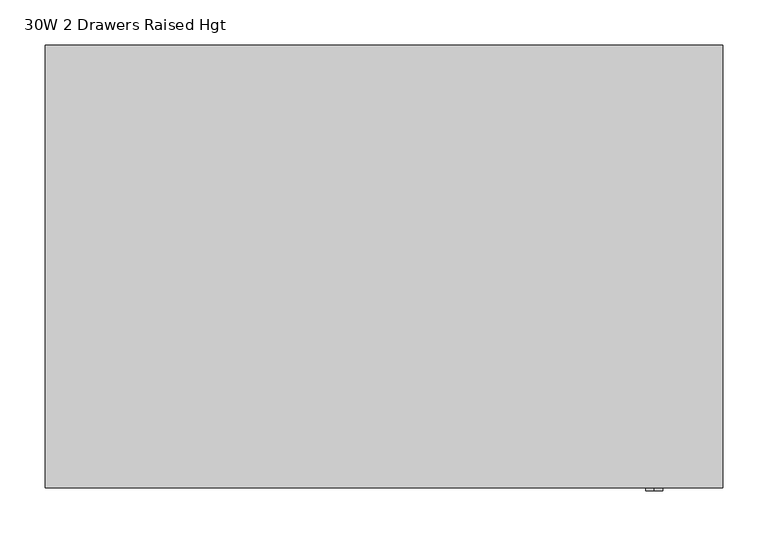
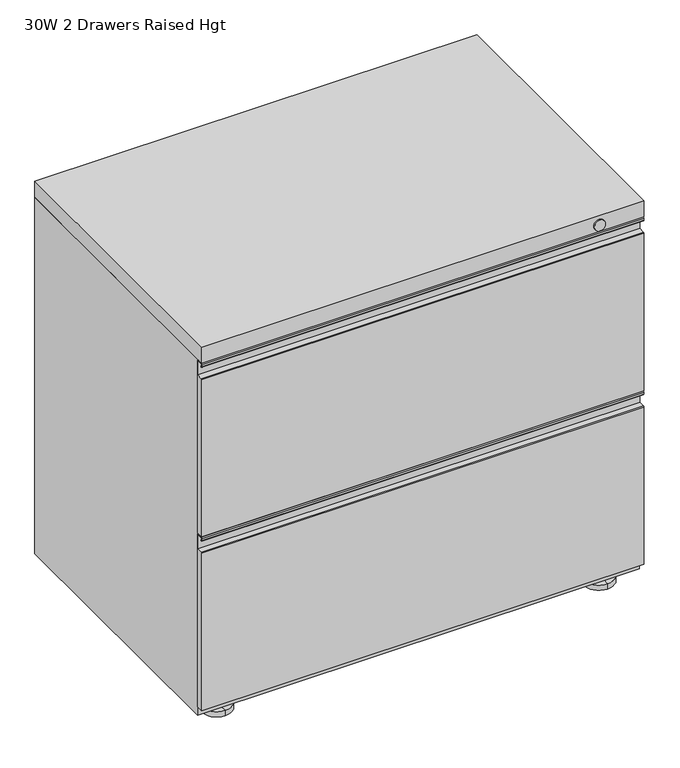
"""IFC4 building model written with IfcOpenShell, lengths in millimetres: furniture geometry, 30W 2 Drawers Raised Hgt."""

from ifc_helpers import new_model, si_unit, point, frame, frame_2d, origin, place, context, project, spatial, polyline, circle_curve, trimmed, segment, composite_curve, outline, extrude, source, transform, mapped, element, save
from ifc_brep_helpers import plane_surface, cylinder_surface, advanced_brep


def furniture_30w_2_drawers_raised_hgt_427bae94(model_context):
    return source(origin(), model_context, "Body", "SolidModel", [
        advanced_brep(
        [(325.4374758, 201.6124871, 22.2249992), (325.4374758, 176.2124932, 22.2249992), (325.4374758, 188.9124902, 22.2249992), (325.4374758, 201.6124871, 9.525), (325.4374758, 176.2124932, 9.525), (325.4374758, 214.3124886, 9.525), (325.4374758, 163.5124917, 9.525), (325.4374758, 214.3124886, 0.0), (325.4374758, 163.5124917, 0.0), (325.4374758, 188.9124902, 0.0)],
        [
            (0, 1, circle_curve(frame((325.4374758, 188.9124902, 22.2249992), z_axis=(0.0, 0.0, 1.0), x_axis=(0.0, -1.0, 0.0)), 12.699997)),
            (1, 2),
            (2, 0),
            (1, 0, circle_curve(frame((325.4374758, 188.9124902, 22.2249992), z_axis=(0.0, 0.0, 1.0), x_axis=(0.0, -1.0, 0.0)), 12.699997)),
            (3, 4, circle_curve(frame((325.4374758, 188.9124902, 9.525), z_axis=(0.0, 0.0, 1.0), x_axis=(0.0, -1.0, 0.0)), 12.699997)),
            (4, 1),
            (0, 3),
            (4, 3, circle_curve(frame((325.4374758, 188.9124902, 9.525), z_axis=(0.0, 0.0, 1.0), x_axis=(0.0, -1.0, 0.0)), 12.699997)),
            (5, 6, circle_curve(frame((325.4374758, 188.9124902, 9.525), z_axis=(0.0, 0.0, 1.0), x_axis=(0.0, -1.0, 0.0)), 25.3999985)),
            (6, 4),
            (3, 5),
            (6, 5, circle_curve(frame((325.4374758, 188.9124902, 9.525), z_axis=(0.0, 0.0, 1.0), x_axis=(0.0, -1.0, 0.0)), 25.3999985)),
            (7, 8, circle_curve(frame((325.4374758, 188.9124902, 0.0), z_axis=(0.0, 0.0, 1.0), x_axis=(0.0, -1.0, 0.0)), 25.3999985)),
            (8, 6),
            (5, 7),
            (8, 7, circle_curve(frame((325.4374758, 188.9124902, 0.0), z_axis=(0.0, 0.0, 1.0), x_axis=(0.0, -1.0, 0.0)), 25.3999985)),
            (9, 8),
            (7, 9),
        ],
        [
            plane_surface(frame((325.4374758, 188.9124902, 22.2249992), z_axis=(0.0, 0.0, 1.0), x_axis=(0.0, -1.0, 0.0))),
            cylinder_surface(frame((325.4374758, 188.9124902, 0.0), z_axis=(0.0, 0.0, -1.0), x_axis=(0.0, -1.0, 0.0)), 12.699997),
            plane_surface(frame((325.4374758, 188.9124902, 9.525), z_axis=(0.0, 0.0, 1.0), x_axis=(0.0, -1.0, 0.0))),
            cylinder_surface(frame((325.4374758, 188.9124902, 0.0), z_axis=(0.0, 0.0, -1.0), x_axis=(0.0, -1.0, 0.0)), 25.3999985),
            plane_surface(frame((325.4374758, 188.9124902, 0.0), z_axis=(0.0, 0.0, -1.0), x_axis=(0.0, -1.0, 0.0))),
        ],
        [
            (0, [[1, 2, 3]]),
            (0, [[4, -3, -2]]),
            (1, [[5, 6, -1, 7]]),
            (1, [[8, -7, -4, -6]]),
            (2, [[9, 10, -5, 11]]),
            (2, [[12, -11, -8, -10]]),
            (3, [[13, 14, -9, 15]]),
            (3, [[16, -15, -12, -14]]),
            (4, [[17, -13, 18]]),
            (4, [[-18, -16, -17]]),
        ],
    ),
        advanced_brep(
        [(325.4374758, -188.912522, 22.2249992), (325.4374758, -214.3125159, 22.2249992), (325.4374758, -201.6125189, 22.2249992), (325.4374758, -188.912522, 9.525), (325.4374758, -214.3125159, 9.525), (325.4374758, -176.2125204, 9.525), (325.4374758, -227.0125174, 9.525), (325.4374758, -176.2125204, 0.0), (325.4374758, -227.0125174, 0.0), (325.4374758, -201.6125189, 0.0)],
        [
            (0, 1, circle_curve(frame((325.4374758, -201.6125189, 22.2249992), z_axis=(0.0, 0.0, 1.0), x_axis=(0.0, -1.0, 0.0)), 12.699997)),
            (1, 2),
            (2, 0),
            (1, 0, circle_curve(frame((325.4374758, -201.6125189, 22.2249992), z_axis=(0.0, 0.0, 1.0), x_axis=(0.0, -1.0, 0.0)), 12.699997)),
            (3, 4, circle_curve(frame((325.4374758, -201.6125189, 9.525), z_axis=(0.0, 0.0, 1.0), x_axis=(0.0, -1.0, 0.0)), 12.699997)),
            (4, 1),
            (0, 3),
            (4, 3, circle_curve(frame((325.4374758, -201.6125189, 9.525), z_axis=(0.0, 0.0, 1.0), x_axis=(0.0, -1.0, 0.0)), 12.699997)),
            (5, 6, circle_curve(frame((325.4374758, -201.6125189, 9.525), z_axis=(0.0, 0.0, 1.0), x_axis=(0.0, -1.0, 0.0)), 25.3999985)),
            (6, 4),
            (3, 5),
            (6, 5, circle_curve(frame((325.4374758, -201.6125189, 9.525), z_axis=(0.0, 0.0, 1.0), x_axis=(0.0, -1.0, 0.0)), 25.3999985)),
            (7, 8, circle_curve(frame((325.4374758, -201.6125189, 0.0), z_axis=(0.0, 0.0, 1.0), x_axis=(0.0, -1.0, 0.0)), 25.3999985)),
            (8, 6),
            (5, 7),
            (8, 7, circle_curve(frame((325.4374758, -201.6125189, 0.0), z_axis=(0.0, 0.0, 1.0), x_axis=(0.0, -1.0, 0.0)), 25.3999985)),
            (9, 8),
            (7, 9),
        ],
        [
            plane_surface(frame((325.4374758, -201.6125189, 22.2249992), z_axis=(0.0, 0.0, 1.0), x_axis=(0.0, -1.0, 0.0))),
            cylinder_surface(frame((325.4374758, -201.6125189, 0.0), z_axis=(0.0, 0.0, -1.0), x_axis=(0.0, -1.0, 0.0)), 12.699997),
            plane_surface(frame((325.4374758, -201.6125189, 9.525), z_axis=(0.0, 0.0, 1.0), x_axis=(0.0, -1.0, 0.0))),
            cylinder_surface(frame((325.4374758, -201.6125189, 0.0), z_axis=(0.0, 0.0, -1.0), x_axis=(0.0, -1.0, 0.0)), 25.3999985),
            plane_surface(frame((325.4374758, -201.6125189, 0.0), z_axis=(0.0, 0.0, -1.0), x_axis=(0.0, -1.0, 0.0))),
        ],
        [
            (0, [[1, 2, 3]]),
            (0, [[4, -3, -2]]),
            (1, [[5, 6, -1, 7]]),
            (1, [[8, -7, -4, -6]]),
            (2, [[9, 10, -5, 11]]),
            (2, [[12, -11, -8, -10]]),
            (3, [[13, 14, -9, 15]]),
            (3, [[16, -15, -12, -14]]),
            (4, [[17, -13, 18]]),
            (4, [[-18, -16, -17]]),
        ],
    ),
        advanced_brep(
        [(-325.4374985, -188.912522, 22.2249992), (-325.4374985, -214.3125159, 22.2249992), (-325.4374985, -201.6125189, 22.2249992), (-325.4374985, -188.912522, 9.525), (-325.4374985, -214.3125159, 9.525), (-325.4374985, -176.2125204, 9.525), (-325.4374985, -227.0125174, 9.525), (-325.4374985, -176.2125204, 0.0), (-325.4374985, -227.0125174, 0.0), (-325.4374985, -201.6125189, 0.0)],
        [
            (0, 1, circle_curve(frame((-325.4374985, -201.6125189, 22.2249992), z_axis=(0.0, 0.0, 1.0), x_axis=(0.0, -1.0, 0.0)), 12.699997)),
            (1, 2),
            (2, 0),
            (1, 0, circle_curve(frame((-325.4374985, -201.6125189, 22.2249992), z_axis=(0.0, 0.0, 1.0), x_axis=(0.0, -1.0, 0.0)), 12.699997)),
            (3, 4, circle_curve(frame((-325.4374985, -201.6125189, 9.525), z_axis=(0.0, 0.0, 1.0), x_axis=(0.0, -1.0, 0.0)), 12.699997)),
            (4, 1),
            (0, 3),
            (4, 3, circle_curve(frame((-325.4374985, -201.6125189, 9.525), z_axis=(0.0, 0.0, 1.0), x_axis=(0.0, -1.0, 0.0)), 12.699997)),
            (5, 6, circle_curve(frame((-325.4374985, -201.6125189, 9.525), z_axis=(0.0, 0.0, 1.0), x_axis=(0.0, -1.0, 0.0)), 25.3999985)),
            (6, 4),
            (3, 5),
            (6, 5, circle_curve(frame((-325.4374985, -201.6125189, 9.525), z_axis=(0.0, 0.0, 1.0), x_axis=(0.0, -1.0, 0.0)), 25.3999985)),
            (7, 8, circle_curve(frame((-325.4374985, -201.6125189, 0.0), z_axis=(0.0, 0.0, 1.0), x_axis=(0.0, -1.0, 0.0)), 25.3999985)),
            (8, 6),
            (5, 7),
            (8, 7, circle_curve(frame((-325.4374985, -201.6125189, 0.0), z_axis=(0.0, 0.0, 1.0), x_axis=(0.0, -1.0, 0.0)), 25.3999985)),
            (9, 8),
            (7, 9),
        ],
        [
            plane_surface(frame((-325.4374985, -201.6125189, 22.2249992), z_axis=(0.0, 0.0, 1.0), x_axis=(0.0, -1.0, 0.0))),
            cylinder_surface(frame((-325.4374985, -201.6125189, 0.0), z_axis=(0.0, 0.0, -1.0), x_axis=(0.0, -1.0, 0.0)), 12.699997),
            plane_surface(frame((-325.4374985, -201.6125189, 9.525), z_axis=(0.0, 0.0, 1.0), x_axis=(0.0, -1.0, 0.0))),
            cylinder_surface(frame((-325.4374985, -201.6125189, 0.0), z_axis=(0.0, 0.0, -1.0), x_axis=(0.0, -1.0, 0.0)), 25.3999985),
            plane_surface(frame((-325.4374985, -201.6125189, 0.0), z_axis=(0.0, 0.0, -1.0), x_axis=(0.0, -1.0, 0.0))),
        ],
        [
            (0, [[1, 2, 3]]),
            (0, [[4, -3, -2]]),
            (1, [[5, 6, -1, 7]]),
            (1, [[8, -7, -4, -6]]),
            (2, [[9, 10, -5, 11]]),
            (2, [[12, -11, -8, -10]]),
            (3, [[13, 14, -9, 15]]),
            (3, [[16, -15, -12, -14]]),
            (4, [[17, -13, 18]]),
            (4, [[-18, -16, -17]]),
        ],
    ),
        advanced_brep(
        [(-325.4374985, 201.6124871, 22.2249992), (-325.4374985, 176.2124932, 22.2249992), (-325.4374985, 188.9124902, 22.2249992), (-325.4374985, 201.6124871, 9.525), (-325.4374985, 176.2124932, 9.525), (-325.4374985, 214.3124886, 9.525), (-325.4374985, 163.5124917, 9.525), (-325.4374985, 214.3124886, 0.0), (-325.4374985, 163.5124917, 0.0), (-325.4374985, 188.9124902, 0.0)],
        [
            (0, 1, circle_curve(frame((-325.4374985, 188.9124902, 22.2249992), z_axis=(0.0, 0.0, 1.0), x_axis=(0.0, -1.0, 0.0)), 12.699997)),
            (1, 2),
            (2, 0),
            (1, 0, circle_curve(frame((-325.4374985, 188.9124902, 22.2249992), z_axis=(0.0, 0.0, 1.0), x_axis=(0.0, -1.0, 0.0)), 12.699997)),
            (3, 4, circle_curve(frame((-325.4374985, 188.9124902, 9.525), z_axis=(0.0, 0.0, 1.0), x_axis=(0.0, -1.0, 0.0)), 12.699997)),
            (4, 1),
            (0, 3),
            (4, 3, circle_curve(frame((-325.4374985, 188.9124902, 9.525), z_axis=(0.0, 0.0, 1.0), x_axis=(0.0, -1.0, 0.0)), 12.699997)),
            (5, 6, circle_curve(frame((-325.4374985, 188.9124902, 9.525), z_axis=(0.0, 0.0, 1.0), x_axis=(0.0, -1.0, 0.0)), 25.3999985)),
            (6, 4),
            (3, 5),
            (6, 5, circle_curve(frame((-325.4374985, 188.9124902, 9.525), z_axis=(0.0, 0.0, 1.0), x_axis=(0.0, -1.0, 0.0)), 25.3999985)),
            (7, 8, circle_curve(frame((-325.4374985, 188.9124902, 0.0), z_axis=(0.0, 0.0, 1.0), x_axis=(0.0, -1.0, 0.0)), 25.3999985)),
            (8, 6),
            (5, 7),
            (8, 7, circle_curve(frame((-325.4374985, 188.9124902, 0.0), z_axis=(0.0, 0.0, 1.0), x_axis=(0.0, -1.0, 0.0)), 25.3999985)),
            (9, 8),
            (7, 9),
        ],
        [
            plane_surface(frame((-325.4374985, 188.9124902, 22.2249992), z_axis=(0.0, 0.0, 1.0), x_axis=(0.0, -1.0, 0.0))),
            cylinder_surface(frame((-325.4374985, 188.9124902, 0.0), z_axis=(0.0, 0.0, -1.0), x_axis=(0.0, -1.0, 0.0)), 12.699997),
            plane_surface(frame((-325.4374985, 188.9124902, 9.525), z_axis=(0.0, 0.0, 1.0), x_axis=(0.0, -1.0, 0.0))),
            cylinder_surface(frame((-325.4374985, 188.9124902, 0.0), z_axis=(0.0, 0.0, -1.0), x_axis=(0.0, -1.0, 0.0)), 25.3999985),
            plane_surface(frame((-325.4374985, 188.9124902, 0.0), z_axis=(0.0, 0.0, -1.0), x_axis=(0.0, -1.0, 0.0))),
        ],
        [
            (0, [[1, 2, 3]]),
            (0, [[4, -3, -2]]),
            (1, [[5, 6, -1, 7]]),
            (1, [[8, -7, -4, -6]]),
            (2, [[9, 10, -5, 11]]),
            (2, [[12, -11, -8, -10]]),
            (3, [[13, 14, -9, 15]]),
            (3, [[16, -15, -12, -14]]),
            (4, [[17, -13, 18]]),
            (4, [[-18, -16, -17]]),
        ],
    ),
        extrude(outline(composite_curve([segment(trimmed(circle_curve(frame_2d((-244.8896942, 321.1966671)), 1.1728058), [point((-246.0625, 321.1966671))], [point((-244.8896942, 322.3694729))], False, "CARTESIAN"), True, "CONTINUOUS"), segment(polyline([(-244.8896942, 322.3694729), (-234.1236111, 322.3694729), (-234.1236111, 347.6972013), (-234.9118604, 348.4874148), (-244.2971887, 348.4874148), (-245.0845679, 347.6999629), (-245.0843647, 344.1366976), (-243.4667153, 344.2287923)]), True, "CONTINUOUS"), segment(trimmed(circle_curve(frame_2d((-244.6524315, 344.0932144)), 1.1934422), [point((-243.4667153, 344.2287923))], [point((-245.8458737, 344.0932144))], False, "CARTESIAN"), True, "CONTINUOUS"), segment(polyline([(-245.8458737, 344.0932144), (-245.8458737, 347.6991622)]), True, "CONTINUOUS"), segment(trimmed(circle_curve(frame_2d((-244.295023, 347.6991622)), 1.5508507), [point((-245.8458737, 347.6991622))], [point((-244.295023, 349.2500129))], False, "CARTESIAN"), True, "CONTINUOUS"), segment(polyline([(-244.295023, 349.2500129), (-234.9140389, 349.2500129)]), True, "CONTINUOUS"), segment(trimmed(circle_curve(frame_2d((-234.9140389, 347.6984497)), 1.5515631), [point((-234.9140389, 349.2500129))], [point((-233.3624758, 347.6984497))], False, "CARTESIAN"), True, "CONTINUOUS"), segment(polyline([(-233.3624758, 347.6984497), (-233.3624758, 38.1000008), (-246.0625, 38.1000008), (-246.0625, 321.1966671)]), True, "CONTINUOUS")], self_intersect=False)), frame((-376.2375, 0.0, 0.0), z_axis=(1.0, 0.0, 0.0), x_axis=(0.0, 1.0, 0.0)), (0.0, 0.0, 1.0), 752.475),
        extrude(outline(composite_curve([segment(trimmed(circle_curve(frame_2d((-244.8896942, 633.9341663)), 1.1728058), [point((-246.0625, 633.9341663))], [point((-244.8896942, 635.1069722))], False, "CARTESIAN"), True, "CONTINUOUS"), segment(polyline([(-244.8896942, 635.1069722), (-234.1236111, 635.1069722), (-234.1236111, 660.4347006), (-234.9118604, 661.2249141), (-244.2971887, 661.2249141), (-245.0845679, 660.4374621), (-245.0843647, 656.8741969), (-243.4667153, 656.9662915)]), True, "CONTINUOUS"), segment(trimmed(circle_curve(frame_2d((-244.6524315, 656.8307136)), 1.1934422), [point((-243.4667153, 656.9662915))], [point((-245.8458737, 656.8307136))], False, "CARTESIAN"), True, "CONTINUOUS"), segment(polyline([(-245.8458737, 656.8307136), (-245.8458737, 660.4366614)]), True, "CONTINUOUS"), segment(trimmed(circle_curve(frame_2d((-244.295023, 660.4366614)), 1.5508507), [point((-245.8458737, 660.4366614))], [point((-244.295023, 661.9875121))], False, "CARTESIAN"), True, "CONTINUOUS"), segment(polyline([(-244.295023, 661.9875121), (-234.9140389, 661.9875121)]), True, "CONTINUOUS"), segment(trimmed(circle_curve(frame_2d((-234.9140389, 660.435949)), 1.5515631), [point((-234.9140389, 661.9875121))], [point((-233.3624758, 660.435949))], False, "CARTESIAN"), True, "CONTINUOUS"), segment(polyline([(-233.3624758, 660.435949), (-233.3624758, 350.8375), (-246.0625, 350.8375), (-246.0625, 633.9341663)]), True, "CONTINUOUS")], self_intersect=False)), frame((-376.2375, 0.0, 0.0), z_axis=(1.0, 0.0, 0.0), x_axis=(0.0, 1.0, 0.0)), (0.0, 0.0, 1.0), 752.475),
        extrude(outline(polyline([(376.2375, 246.0625), (376.2375, -246.0625), (-376.2375, -246.0625), (-376.2375, 246.0625), (376.2375, 246.0625)])), frame((0.0, 0.0, 663.575), z_axis=(0.0, 0.0, 1.0), x_axis=(1.0, 0.0, 0.0)), (0.0, 0.0, 1.0), 28.575),
        extrude(outline(polyline([(376.2375, 246.0625), (376.2375, -233.3624758), (-376.2375, -233.3624758), (-376.2375, 246.0625), (376.2375, 246.0625)])), frame((0.0, 0.0, 22.225), z_axis=(0.0, 0.0, 1.0), x_axis=(1.0, 0.0, 0.0)), (0.0, 0.0, 1.0), 641.35),
        extrude(outline(composite_curve([segment(trimmed(circle_curve(frame_2d((676.2750242, 300.0375)), 9.525), [point((666.7500242, 300.0375))], [point((685.8000242, 300.0375))], False, "CARTESIAN"), True, "CONTINUOUS"), segment(trimmed(circle_curve(frame_2d((676.2750242, 300.0375)), 9.525), [point((685.8000242, 300.0375))], [point((666.7500242, 300.0375))], False, "CARTESIAN"), True, "CONTINUOUS")], self_intersect=False)), frame((0.0, -249.2374879, 0.0), z_axis=(0.0, 1.0, 0.0), x_axis=(0.0, 0.0, 1.0)), (0.0, 0.0, 1.0), 3.1749879),
    ])


if __name__ == "__main__":
    model = new_model("IFC4")
    model_context = context("Model", 3, world=origin())
    ifc_project = project(units=[si_unit("LENGTHUNIT", "METRE", prefix="MILLI")], contexts=[model_context])
    site = spatial("IfcSite", under=ifc_project)
    building = spatial("IfcBuilding", under=site)
    placement = place(None, origin())
    furniture_30w_2_drawers_raised_hgt_shape = furniture_30w_2_drawers_raised_hgt_427bae94(model_context)
    element("IfcFurniture", 1, ObjectType="30W 2 Drawers Raised Hgt", at=placement, inside=building, context=model_context, shape_type="MappedRepresentation", body=[
        mapped(furniture_30w_2_drawers_raised_hgt_shape, transform((0.0, 0.0, 0.0), x_axis=(1.0, 0.0, 0.0), y_axis=(0.0, 1.0, 0.0), z_axis=(0.0, 0.0, 1.0))),
    ])
    save(model, "model.ifc")
